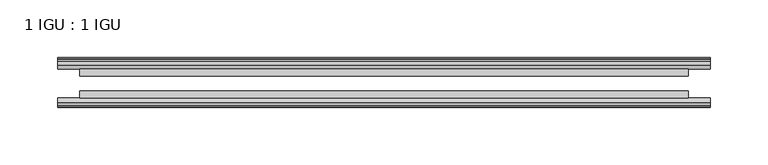
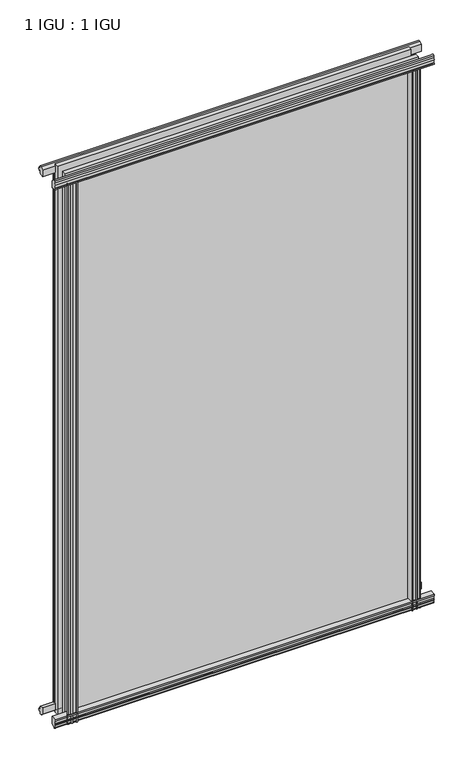
"""IFC4 building model written with IfcOpenShell, lengths in millimetres: plate geometry, 1 IGU : 1 IGU."""

import ifcopenshell
import ifcopenshell.guid

model = None  # the IFC model being written
_history = None  # IfcOwnerHistory: only IFC2X3 demands one
_inside = {}  # id of a spatial element -> (the spatial element, [elements in it])
_under = {}  # id of a project, library or spatial element -> (it, [spatial elements below it])
_declared = {}  # id of a project -> (the project, [libraries it declares])
_typed = {}  # id of a type object -> (the type object, [elements of that type])
_made_of = {}  # id of a material, layer set ... -> (it, [elements and type objects made of it])


def new_model(schema):
    """Start an empty IFC model of exactly this schema.

    Asked for "IFC4X3", IfcOpenShell would pick the latest addendum, in which some entities
    have other attributes; the version numbers below select the first issue.
    IFC2X3 requires an IfcOwnerHistory on every rooted entity: one is made here for all.
    """
    global model, _history
    if schema == "IFC4X3":
        model = ifcopenshell.file(schema_version=(4, 3, 0, 0))
    else:
        model = ifcopenshell.file(schema=schema)
    _inside.clear()
    _under.clear()
    _declared.clear()
    _typed.clear()
    _made_of.clear()
    _history = None
    if model.schema == "IFC2X3":
        org = make("IfcOrganization", Name="unknown")
        user = make(
            "IfcPersonAndOrganization",
            ThePerson=make("IfcPerson", FamilyName="unknown"),
            TheOrganization=org,
        )
        app = make(
            "IfcApplication",
            ApplicationDeveloper=org,
            Version="unknown",
            ApplicationFullName="unknown",
            ApplicationIdentifier="unknown",
        )
        _history = make(
            "IfcOwnerHistory",
            OwningUser=user,
            OwningApplication=app,
            ChangeAction="ADDED",
            CreationDate=0,
        )
    return model


def make(cls, **values):
    """One entity of the class cls with the attributes given. An attribute that is None is left unset."""
    return model.create_entity(
        cls, **{name: value for name, value in values.items() if value is not None}
    )


def rooted(cls, **values):
    """An entity with a GlobalId (a new one), such as an element, a storey or a relation."""
    return make(cls, GlobalId=ifcopenshell.guid.new(), OwnerHistory=_history, **values)


def si_unit(unit_type, name, prefix=None):
    """IfcSIUnit, for example si_unit("LENGTHUNIT", "METRE", prefix="MILLI")."""
    return make("IfcSIUnit", UnitType=unit_type, Prefix=prefix, Name=name)


def assignment(units):
    """IfcUnitAssignment: the units of a project."""
    return None if units is None else make("IfcUnitAssignment", Units=units)


def point(xyz):
    """IfcCartesianPoint."""
    return None if xyz is None else make("IfcCartesianPoint", Coordinates=xyz)


def direction(xyz):
    """IfcDirection."""
    return None if xyz is None else make("IfcDirection", DirectionRatios=xyz)


def frame(location, z_axis=None, x_axis=None):
    """IfcAxis2Placement3D, a coordinate frame: its origin and axes. An axis left out is left unset."""
    return make(
        "IfcAxis2Placement3D",
        Location=point(location),
        Axis=direction(z_axis),
        RefDirection=direction(x_axis),
    )


def frame_2d(location, x_axis=None):
    """IfcAxis2Placement2D, a coordinate frame in the plane: its origin and x axis."""
    return make(
        "IfcAxis2Placement2D", Location=point(location), RefDirection=direction(x_axis)
    )


def origin():
    """The frame at (0, 0, 0) with its axes left unset."""
    return frame((0.0, 0.0, 0.0))


def place(relative_to, where):
    """IfcLocalPlacement: puts the frame where relative to a parent placement (None: the world)."""
    return make(
        "IfcLocalPlacement", PlacementRelTo=relative_to, RelativePlacement=where
    )


def context(
    kind, dimensions, precision=None, world=None, true_north=None, identifier=None
):
    """IfcGeometricRepresentationContext, for example the 3D "Model" context."""
    return make(
        "IfcGeometricRepresentationContext",
        ContextIdentifier=identifier,
        ContextType=kind,
        CoordinateSpaceDimension=dimensions,
        Precision=precision,
        WorldCoordinateSystem=world,
        TrueNorth=true_north,
    )


def project(units=None, contexts=None):
    """IfcProject with its units and contexts."""
    return rooted(
        "IfcProject",
        Name="project",
        RepresentationContexts=contexts,
        UnitsInContext=assignment(units),
    )


def spatial(cls, under=None, at=None, **own):
    """A site, building, storey or space (cls), placed at a placement, below another one or the project."""
    s = rooted(cls, ObjectPlacement=at, **own)
    if under is not None:
        _under.setdefault(under.id(), (under, []))[1].append(s)
    return s


def polyline(points):
    """IfcPolyline through the points."""
    return make("IfcPolyline", Points=[point(p) for p in points])


def circle_curve(where, radius):
    """IfcCircle in the frame where."""
    return make("IfcCircle", Position=where, Radius=radius)


def trimmed(basis, trim1, trim2, sense, master):
    """IfcTrimmedCurve: the piece of a basis curve between two trims."""
    return make(
        "IfcTrimmedCurve",
        BasisCurve=basis,
        Trim1=trim1,
        Trim2=trim2,
        SenseAgreement=sense,
        MasterRepresentation=master,
    )


def segment(curve, same_sense, transition):
    """IfcCompositeCurveSegment."""
    return make(
        "IfcCompositeCurveSegment",
        Transition=transition,
        SameSense=same_sense,
        ParentCurve=curve,
    )


def composite_curve(segments, self_intersect=None):
    """IfcCompositeCurve: segments joined end to end."""
    return make("IfcCompositeCurve", Segments=segments, SelfIntersect=self_intersect)


def outline(outer, holes=None, kind="AREA"):
    """IfcArbitraryClosedProfileDef: a profile drawn as a closed curve; with holes, ...WithVoids."""
    if holes is None:
        return make("IfcArbitraryClosedProfileDef", ProfileType=kind, OuterCurve=outer)
    return make(
        "IfcArbitraryProfileDefWithVoids",
        ProfileType=kind,
        OuterCurve=outer,
        InnerCurves=holes,
    )


def extrude(swept, where, along, depth):
    """IfcExtrudedAreaSolid: the profile swept, set in the frame where, extruded along a direction by depth."""
    return make(
        "IfcExtrudedAreaSolid",
        SweptArea=swept,
        Position=where,
        ExtrudedDirection=direction(along),
        Depth=depth,
    )


def shape(context_of_items, identifier, shape_type, items):
    """IfcShapeRepresentation: the items that make up one representation, for example the "Body"."""
    return make(
        "IfcShapeRepresentation",
        ContextOfItems=context_of_items,
        RepresentationIdentifier=identifier,
        RepresentationType=shape_type,
        Items=items,
    )


def source(mapping_origin, context_of_items, identifier, shape_type, items):
    """IfcRepresentationMap: a shape defined once, which mapped items show again and again."""
    return make(
        "IfcRepresentationMap",
        MappingOrigin=mapping_origin,
        MappedRepresentation=shape(context_of_items, identifier, shape_type, items),
    )


def transform(
    local_origin,
    x_axis=None,
    y_axis=None,
    z_axis=None,
    scale=None,
    scale2=None,
    scale3=None,
    uniform=True,
):
    """IfcCartesianTransformationOperator3D, or its non-uniform kind. x_axis, y_axis, z_axis: its Axis1, 2, 3."""
    if uniform:
        return make(
            "IfcCartesianTransformationOperator3D",
            Axis1=direction(x_axis),
            Axis2=direction(y_axis),
            LocalOrigin=point(local_origin),
            Scale=scale,
            Axis3=direction(z_axis),
        )
    return make(
        "IfcCartesianTransformationOperator3DnonUniform",
        Axis1=direction(x_axis),
        Axis2=direction(y_axis),
        LocalOrigin=point(local_origin),
        Scale=scale,
        Axis3=direction(z_axis),
        Scale2=scale2,
        Scale3=scale3,
    )


def mapped(mapping_source, mapping_target):
    """IfcMappedItem: shows the shape of a source again, moved by a transform."""
    return make(
        "IfcMappedItem", MappingSource=mapping_source, MappingTarget=mapping_target
    )


def made_of(thing, what):
    """Note that an element or type object is made of a material, layer set ...; save() writes the relation."""
    if what is not None:
        _made_of.setdefault(what.id(), (what, []))[1].append(thing)
    return thing


def element(
    cls,
    number,
    at=None,
    inside=None,
    cuts=None,
    type_object=None,
    material=None,
    context=None,
    identifier="Body",
    shape_type=None,
    held_by="IfcProductDefinitionShape",
    body=None,
    shapes=None,
    **own,
):
    """One element of the class cls, such as IfcWall. Its Tag is "e" and its number.

    at: its placement. inside: the storey or other place that contains it. cuts: it is an
    opening in that element (IfcRelVoidsElement). A single representation is given by context,
    identifier, shape_type and body (its items); several are given by shapes. held_by: the class
    of the entity that holds the representations. save() writes the other relations.
    """
    e = rooted(cls, Tag="e%d" % number, ObjectPlacement=at, **own)
    if body is not None:
        shapes = [shape(context, identifier, shape_type, body)]
    if shapes is not None:
        e.Representation = make(held_by, Representations=shapes)
    if inside is not None:
        _inside.setdefault(inside.id(), (inside, []))[1].append(e)
    if cuts is not None:
        rooted(
            "IfcRelVoidsElement", RelatingBuildingElement=cuts, RelatedOpeningElement=e
        )
    if type_object is not None:
        _typed.setdefault(type_object.id(), (type_object, []))[1].append(e)
    return made_of(e, material)


def aggregate(whole, parts):
    """IfcRelAggregates: a whole, such as a stair, and the parts it consists of."""
    return rooted("IfcRelAggregates", RelatingObject=whole, RelatedObjects=parts)


def save(model, path):
    """Write the relations noted so far, then the file.

    IfcRelAggregates (storeys below a building ...), IfcRelContainedInSpatialStructure (elements
    in a storey), IfcRelDefinesByType, IfcRelAssociatesMaterial and IfcRelDeclares: one each for
    every whole, place, type object, material and project.
    """
    for whole, parts in _under.values():
        aggregate(whole, parts)
    for where, things in _inside.values():
        rooted(
            "IfcRelContainedInSpatialStructure",
            RelatedElements=things,
            RelatingStructure=where,
        )
    for kind, things in _typed.values():
        rooted("IfcRelDefinesByType", RelatedObjects=things, RelatingType=kind)
    for what, things in _made_of.values():
        rooted("IfcRelAssociatesMaterial", RelatedObjects=things, RelatingMaterial=what)
    for by, libraries in _declared.values():
        rooted("IfcRelDeclares", RelatingContext=by, RelatedDefinitions=libraries)
    model.write(path)


def plate_1_igu_1_igu_844d4119(model_context):
    return source(origin(), model_context, "Body", "SweptSolid", [
        extrude(outline(composite_curve([segment(polyline([(-46.2359545, 846.392137), (-46.2359545, 835.3699197), (-53.3197108, 836.7372291)]), True, "CONTINUOUS"), segment(trimmed(circle_curve(frame_2d((-53.1447545, 837.7380519)), 1.016), [point((-53.3197108, 836.7372291))], [point((-53.8888005, 838.4298983))], False, "CARTESIAN"), True, "CONTINUOUS"), segment(polyline([(-53.8888005, 838.4298983), (-52.5859205, 838.2460519), (-52.5859205, 843.6562519), (-54.0652165, 843.9170917), (-52.5859205, 846.5010519), (-52.5859205, 849.6760519)]), True, "CONTINUOUS"), segment(trimmed(circle_curve(frame_2d((-51.3159205, 849.6760519)), 1.27), [point((-52.5859205, 849.6760519))], [point((-50.4178949, 850.5740775))], False, "CARTESIAN"), True, "CONTINUOUS"), segment(polyline([(-50.4178949, 850.5740775), (-46.2359545, 846.392137)]), True, "CONTINUOUS")], self_intersect=False)), frame((-282.5595272, 0.0, 0.0), z_axis=(1.0, 0.0, 0.0), x_axis=(0.0, 1.0, 0.0)), (0.0, 0.0, 1.0), 565.1190544),
        extrude(outline(polyline([(-17.4323375, 850.8285625), (-14.4859375, 850.8285625), (-14.4859375, 846.3835625), (-12.1057405, 846.0025625), (-12.5656738, 847.4180916), (-11.7644596, 847.4180916), (-11.0569375, 845.2405625), (-11.7644596, 843.0630334), (-12.5656738, 843.0630334), (-12.1057405, 844.4785625), (-14.4859375, 844.0975625), (-14.4859375, 838.8905625), (-20.8359545, 837.1728398), (-20.8359545, 847.9942062), (-17.4323375, 850.8285625)])), frame((-282.5595272, 0.0, 0.0), z_axis=(1.0, 0.0, 0.0), x_axis=(0.0, 1.0, 0.0)), (0.0, 0.0, 1.0), 565.1190544),
        extrude(outline(polyline([(-20.8359545, 1.2049602), (-14.4859375, -0.5127625), (-14.4859375, -5.7197625), (-12.1057405, -6.1007625), (-12.5656738, -4.6852334), (-11.7644596, -4.6852334), (-11.0569375, -6.8627625), (-11.7644596, -9.0402916), (-12.5656738, -9.0402916), (-12.1057405, -7.6247625), (-14.4859375, -8.0057625), (-14.4859375, -12.4507625), (-17.4323375, -12.4507625), (-20.8359545, -9.6164062), (-20.8359545, 1.2049602)])), frame((-282.5595272, 0.0, 0.0), z_axis=(1.0, 0.0, 0.0), x_axis=(0.0, 1.0, 0.0)), (0.0, 0.0, 1.0), 565.1190544),
        extrude(outline(composite_curve([segment(polyline([(-53.3197108, 1.6405709), (-46.2359545, 3.0078803), (-46.2359545, -8.014337), (-50.4178949, -12.1962775)]), True, "CONTINUOUS"), segment(trimmed(circle_curve(frame_2d((-51.3159205, -11.2982519)), 1.27), [point((-50.4178949, -12.1962775))], [point((-52.5859205, -11.2982519))], False, "CARTESIAN"), True, "CONTINUOUS"), segment(polyline([(-52.5859205, -11.2982519), (-52.5859205, -8.1232519), (-54.0652165, -5.5392917), (-52.5859205, -5.2784519), (-52.5859205, 0.1317481), (-53.8888005, -0.0520983)]), True, "CONTINUOUS"), segment(trimmed(circle_curve(frame_2d((-53.1447545, 0.6397481)), 1.016), [point((-53.8888005, -0.0520983))], [point((-53.3197108, 1.6405709))], False, "CARTESIAN"), True, "CONTINUOUS")], self_intersect=False)), frame((-282.5595272, 0.0, 0.0), z_axis=(1.0, 0.0, 0.0), x_axis=(0.0, 1.0, 0.0)), (0.0, 0.0, 1.0), 565.1190544),
        extrude(outline(polyline([(-258.4590075, -12.1057405), (-259.8745365, -12.5656738), (-259.8745365, -11.7644596), (-257.6970075, -11.0569375), (-255.5194784, -11.7644596), (-255.5194784, -12.5656738), (-256.9350075, -12.1057405), (-256.5540075, -14.4859375), (-251.3470075, -14.4859375), (-249.6292894, -20.8359375), (-260.4506653, -20.8359375), (-263.2850075, -17.4323375), (-263.2850075, -14.4859375), (-258.8400075, -14.4859375), (-258.4590075, -12.1057405)])), frame((0.0, 0.0, -12.6752823), z_axis=(0.0, 0.0, 1.0), x_axis=(1.0, 0.0, 0.0)), (0.0, 0.0, 1.0), 851.0530823),
        extrude(outline(composite_curve([segment(polyline([(-258.848565, -46.2359375), (-247.8263614, -46.2359375), (-249.1936741, -53.3197108)]), True, "CONTINUOUS"), segment(trimmed(circle_curve(frame_2d((-250.1944969, -53.1447545)), 1.016), [point((-249.1936741, -53.3197108))], [point((-250.8863433, -53.8888005))], False, "CARTESIAN"), True, "CONTINUOUS"), segment(polyline([(-250.8863433, -53.8888005), (-250.7024969, -52.5859205), (-256.1126969, -52.5859205), (-256.3735367, -54.0652165), (-258.9574969, -52.5859205), (-262.1324969, -52.5859205)]), True, "CONTINUOUS"), segment(trimmed(circle_curve(frame_2d((-262.1324969, -51.3159205)), 1.27), [point((-262.1324969, -52.5859205))], [point((-263.0305225, -50.4178949))], False, "CARTESIAN"), True, "CONTINUOUS"), segment(polyline([(-263.0305225, -50.4178949), (-258.848565, -46.2359375)]), True, "CONTINUOUS")], self_intersect=False)), frame((0.0, 0.0, -12.6752823), z_axis=(0.0, 0.0, 1.0), x_axis=(1.0, 0.0, 0.0)), (0.0, 0.0, 1.0), 851.0530823),
        extrude(outline(composite_curve([segment(polyline([(249.1936741, -53.3197108), (247.8263614, -46.2359375), (258.848565, -46.2359375), (263.0305225, -50.4178949)]), True, "CONTINUOUS"), segment(trimmed(circle_curve(frame_2d((262.1324969, -51.3159205)), 1.27), [point((263.0305225, -50.4178949))], [point((262.1324969, -52.5859205))], False, "CARTESIAN"), True, "CONTINUOUS"), segment(polyline([(262.1324969, -52.5859205), (258.9574969, -52.5859205), (256.3735367, -54.0652165), (256.1126969, -52.5859205), (250.7024969, -52.5859205), (250.9254603, -53.8504091)]), True, "CONTINUOUS"), segment(trimmed(circle_curve(frame_2d((250.1944969, -53.1447545)), 1.016), [point((250.9254603, -53.8504091))], [point((249.1936741, -53.3197108))], False, "CARTESIAN"), True, "CONTINUOUS")], self_intersect=False)), frame((0.0, 0.0, -12.6752823), z_axis=(0.0, 0.0, 1.0), x_axis=(1.0, 0.0, 0.0)), (0.0, 0.0, 1.0), 851.0530823),
        extrude(outline(polyline([(255.5194784, -11.7644596), (257.6970075, -11.0569375), (259.8745365, -11.7644596), (259.8745365, -12.5656738), (258.4590075, -12.1057405), (258.8400075, -14.4859375), (263.2850075, -14.4859375), (263.2850075, -17.4323375), (260.4506653, -20.8359375), (249.6292894, -20.8359375), (251.3470075, -14.4859375), (256.5540075, -14.4859375), (256.9350075, -12.1057405), (255.5194784, -12.5656738), (255.5194784, -11.7644596)])), frame((0.0, 0.0, -12.6752823), z_axis=(0.0, 0.0, 1.0), x_axis=(1.0, 0.0, 0.0)), (0.0, 0.0, 1.0), 851.0530823),
        extrude(outline(polyline([(263.5095272, -20.8359375), (263.5095272, -27.1859375), (-263.5095272, -27.1859375), (-263.5095272, -20.8359375), (263.5095272, -20.8359375)])), frame((0.0, 0.0, -12.6752823), z_axis=(0.0, 0.0, 1.0), x_axis=(1.0, 0.0, 0.0)), (0.0, 0.0, 1.0), 863.7283645),
        extrude(outline(polyline([(-263.5095272, -46.2359375), (-263.5095272, -39.8859375), (263.5095272, -39.8859375), (263.5095272, -46.2359375), (-263.5095272, -46.2359375)])), frame((0.0, 0.0, -12.6752823), z_axis=(0.0, 0.0, 1.0), x_axis=(1.0, 0.0, 0.0)), (0.0, 0.0, 1.0), 863.7283645),
    ])


if __name__ == "__main__":
    model = new_model("IFC4")
    model_context = context("Model", 3, world=origin())
    ifc_project = project(units=[si_unit("LENGTHUNIT", "METRE", prefix="MILLI")], contexts=[model_context])
    site = spatial("IfcSite", under=ifc_project)
    building = spatial("IfcBuilding", under=site)
    placement = place(None, origin())
    plate_1_igu_1_igu_shape = plate_1_igu_1_igu_844d4119(model_context)
    element("IfcPlate", 1, ObjectType="1 IGU : 1 IGU", at=placement, inside=building, context=model_context, shape_type="MappedRepresentation", body=[
        mapped(plate_1_igu_1_igu_shape, transform((0.0, 0.0, 0.0), x_axis=(1.0, 0.0, 0.0), y_axis=(0.0, 1.0, 0.0), z_axis=(0.0, 0.0, 1.0))),
    ])
    save(model, "model.ifc")
